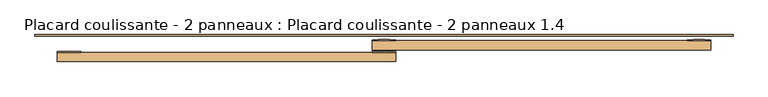
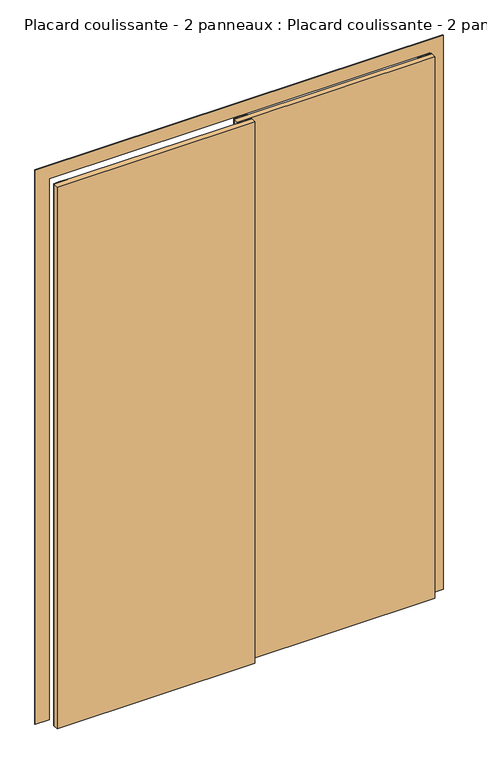
"""IFC4 building model written with IfcOpenShell, lengths in millimetres: door geometry, Placard coulissante - 2 panneaux : Placard coulissante - 2 panneaux 1.4."""

from ifc_helpers import new_model, si_unit, point, frame, frame_2d, origin, origin_with_axes, place, context, project, spatial, polyline, circle_curve, trimmed, segment, composite_curve, outline, extrude, source, transform, mapped, element, save


def placard_coulissante_2_panneaux_placard_coulissante_2_60582b2d(model_context):
    return source(origin(), model_context, "Body", "SweptSolid", [
        extrude(outline(composite_curve([segment(polyline([(700.0, 15.0), (650.0, 15.0), (650.0, 17.0)]), True, "CONTINUOUS"), segment(trimmed(circle_curve(frame_2d((675.0, -196.8603852)), 215.3166607), [point((650.0, 17.0))], [point((700.0, 17.0))], False, "CARTESIAN"), True, "CONTINUOUS"), segment(polyline([(700.0, 17.0), (700.0, 15.0)]), True, "CONTINUOUS")], self_intersect=False)), origin_with_axes(), (0.0, 0.0, 1.0), 2100.0),
        extrude(outline(composite_curve([segment(polyline([(25.0, 15.0), (-25.0, 15.0), (-25.0, 17.0)]), True, "CONTINUOUS"), segment(trimmed(circle_curve(frame_2d((0.0, -196.8603852)), 215.3166607), [point((-25.0, 17.0))], [point((25.0, 17.0))], False, "CARTESIAN"), True, "CONTINUOUS"), segment(polyline([(25.0, 17.0), (25.0, 15.0)]), True, "CONTINUOUS")], self_intersect=False)), origin_with_axes(), (0.0, 0.0, 1.0), 2100.0),
        extrude(outline(composite_curve([segment(polyline([(25.0, -10.0), (-25.0, -10.0), (-25.0, -8.0)]), True, "CONTINUOUS"), segment(trimmed(circle_curve(frame_2d((0.0, -221.8603852)), 215.3166607), [point((-25.0, -8.0))], [point((25.0, -8.0))], False, "CARTESIAN"), True, "CONTINUOUS"), segment(polyline([(25.0, -8.0), (25.0, -10.0)]), True, "CONTINUOUS")], self_intersect=False)), origin_with_axes(), (0.0, 0.0, 1.0), 2100.0),
        extrude(outline(composite_curve([segment(polyline([(-650.0, -10.0), (-700.0, -10.0), (-700.0, -8.0)]), True, "CONTINUOUS"), segment(trimmed(circle_curve(frame_2d((-675.0, -221.8603852)), 215.3166607), [point((-700.0, -8.0))], [point((-650.0, -8.0))], False, "CARTESIAN"), True, "CONTINUOUS"), segment(polyline([(-650.0, -8.0), (-650.0, -10.0)]), True, "CONTINUOUS")], self_intersect=False)), origin_with_axes(), (0.0, 0.0, 1.0), 2100.0),
        extrude(outline(polyline([(0.0, -698.0), (2098.0, -698.0), (2098.0, 698.0), (0.0, 698.0), (0.0, 748.0), (2148.0, 748.0), (2148.0, -748.0), (0.0, -748.0), (0.0, -698.0)])), frame((0.0, 25.0, 0.0), z_axis=(0.0, 1.0, 0.0), x_axis=(0.0, 0.0, 1.0)), (0.0, 0.0, 1.0), 3.0),
        extrude(outline(polyline([(700.0, 15.0), (700.0, -5.0), (-25.0, -5.0), (-25.0, 15.0), (700.0, 15.0)])), origin_with_axes(), (0.0, 0.0, 1.0), 2100.0),
        extrude(outline(polyline([(25.0, -10.0), (25.0, -30.0), (-700.0, -30.0), (-700.0, -10.0), (25.0, -10.0)])), origin_with_axes(), (0.0, 0.0, 1.0), 2100.0),
    ])


if __name__ == "__main__":
    model = new_model("IFC4")
    model_context = context("Model", 3, world=origin())
    ifc_project = project(units=[si_unit("LENGTHUNIT", "METRE", prefix="MILLI")], contexts=[model_context])
    site = spatial("IfcSite", under=ifc_project)
    building = spatial("IfcBuilding", under=site)
    placement = place(None, origin())
    placard_coulissante_2_panneaux_placard_coulissante_2_shape = placard_coulissante_2_panneaux_placard_coulissante_2_60582b2d(model_context)
    element("IfcDoor", 1, ObjectType="Placard coulissante - 2 panneaux : Placard coulissante - 2 panneaux 1.4", at=placement, inside=building, context=model_context, shape_type="MappedRepresentation", body=[
        mapped(placard_coulissante_2_panneaux_placard_coulissante_2_shape, transform((0.0, 0.0, 0.0), x_axis=(1.0, 0.0, 0.0), y_axis=(0.0, 1.0, 0.0), z_axis=(0.0, 0.0, 1.0))),
    ])
    save(model, "model.ifc")
